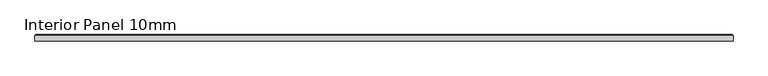
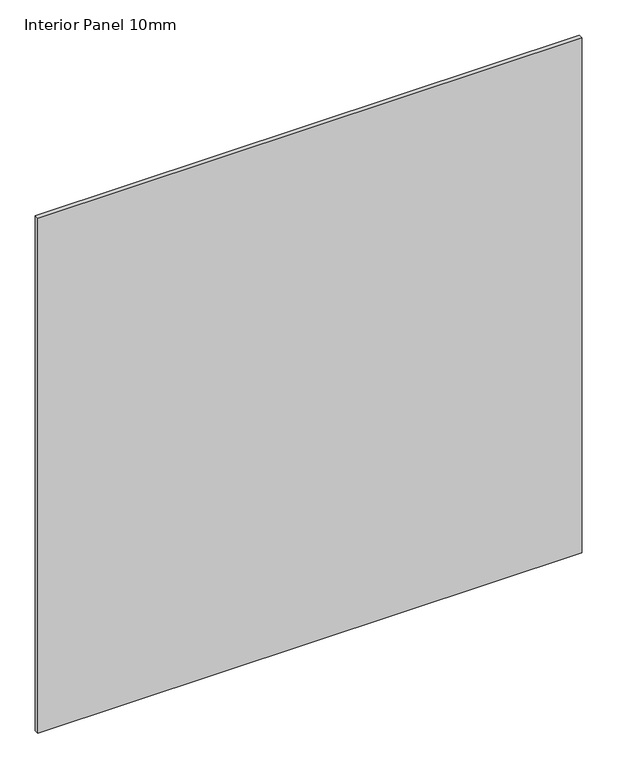
"""IFC4 building model written with IfcOpenShell, lengths in millimetres: proxy geometry, Interior Panel 10mm."""

from ifc_helpers import new_model, si_unit, origin, place, context, project, spatial, faceted_brep, source, transform, mapped, element, save


def interior_panel_10mm_32f12af9(model_context):
    return source(origin(), model_context, "Body", "Brep", [
        faceted_brep([(1066.8, -9.525, 1066.8), (1066.8, -1.5875, 1066.8), (0.0, -1.5875, 1066.8), (0.0, -9.525, 1066.8), (1066.8, -9.525, 0.0), (0.0, -9.525, 0.0), (0.0, -1.5875, 0.0), (1066.8, -1.5875, 0.0), (1.5875, 0.0, 1065.2125), (1065.2125, 0.0, 1065.2125), (1065.2125, 0.0, 1.5875), (1.5875, 0.0, 1.5875)], [[[0, 1, 2, 3]], [[4, 5, 6, 7]], [[3, 5, 4, 0]], [[2, 6, 5, 3]], [[8, 9, 10, 11]], [[0, 4, 7, 1]], [[2, 8, 11, 6]], [[7, 10, 9, 1]], [[1, 9, 8, 2]], [[6, 11, 10, 7]]]),
    ])


if __name__ == "__main__":
    model = new_model("IFC4")
    model_context = context("Model", 3, world=origin())
    ifc_project = project(units=[si_unit("LENGTHUNIT", "METRE", prefix="MILLI")], contexts=[model_context])
    site = spatial("IfcSite", under=ifc_project)
    building = spatial("IfcBuilding", under=site)
    placement = place(None, origin())
    interior_panel_10mm_shape = interior_panel_10mm_32f12af9(model_context)
    element("IfcBuildingElementProxy", 1, Name="Interior Panel 10mm", ObjectType="Interior Panel 10mm", at=placement, inside=building, context=model_context, shape_type="MappedRepresentation", body=[
        mapped(interior_panel_10mm_shape, transform((0.0, 0.0, 0.0), x_axis=(1.0, 0.0, 0.0), y_axis=(0.0, 1.0, 0.0), z_axis=(0.0, 0.0, 1.0))),
    ])
    save(model, "model.ifc")
